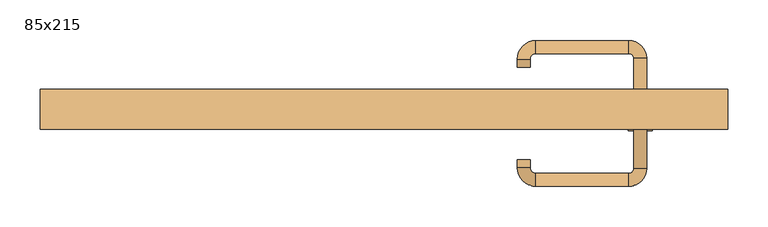
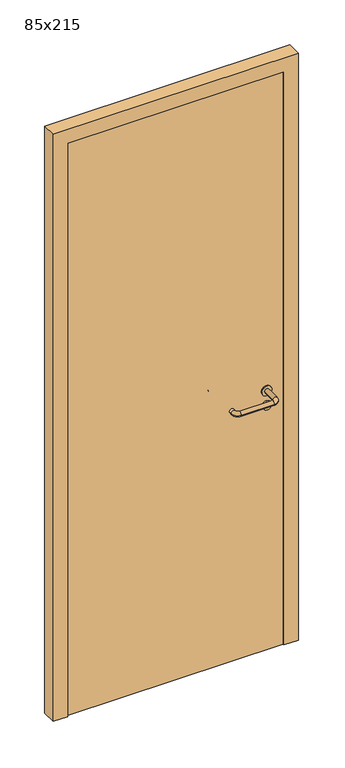
"""IFC4 building model written with IfcOpenShell, lengths in millimetres: door geometry, 85x215."""

from ifc_helpers import new_model, si_unit, point, frame, frame_2d, origin, origin_with_axes, place, context, project, spatial, polyline, circle_curve, ellipse_curve, trimmed, segment, composite_curve, outline, extrude, source, transform, mapped, element, save
from ifc_brep_helpers import plane_surface, cylinder_surface, revolved_surface, advanced_brep


def door_85x215_0e55ee58(model_context):
    return source(origin(), model_context, "Body", "SolidModel", [
        extrude(outline(composite_curve([segment(trimmed(circle_curve(frame_2d((897.3605726, 317.0)), 15.0), [point((897.3605726, 332.0))], [point((897.3605726, 302.0))], False, "CARTESIAN"), True, "CONTINUOUS"), segment(trimmed(circle_curve(frame_2d((897.3605726, 317.0)), 15.0), [point((897.3605726, 302.0))], [point((897.3605726, 332.0))], False, "CARTESIAN"), True, "CONTINUOUS")], self_intersect=False), holes=[composite_curve([segment(trimmed(circle_curve(frame_2d((892.5833211, 316.9398032)), 2.0), [point((892.5833211, 318.9398032))], [point((892.5833211, 314.9398032))], True, "CARTESIAN"), True, "CONTINUOUS"), segment(polyline([(892.5833211, 314.9398032), (902.5833211, 314.9398032)]), True, "CONTINUOUS"), segment(trimmed(circle_curve(frame_2d((902.5833211, 316.9398032)), 2.0), [point((902.5833211, 314.9398032))], [point((902.5833211, 318.9398032))], True, "CARTESIAN"), True, "CONTINUOUS"), segment(polyline([(902.5833211, 318.9398032), (892.5833211, 318.9398032)]), True, "CONTINUOUS")], self_intersect=False)]), frame((0.0, -15.0, 0.0), z_axis=(0.0, 1.0, 0.0), x_axis=(0.0, 0.0, 1.0)), (0.0, 0.0, 1.0), 6.35),
        extrude(outline(composite_curve([segment(trimmed(circle_curve(frame_2d((950.0, 317.0)), 17.526), [point((950.0, 334.526))], [point((950.0, 299.474))], False, "CARTESIAN"), True, "CONTINUOUS"), segment(trimmed(circle_curve(frame_2d((950.0, 317.0)), 17.526), [point((950.0, 299.474))], [point((950.0, 334.526))], False, "CARTESIAN"), True, "CONTINUOUS")], self_intersect=False)), frame((0.0, -15.0, 0.0), z_axis=(0.0, 1.0, 0.0), x_axis=(0.0, 0.0, 1.0)), (0.0, 0.0, 1.0), 3.175),
        advanced_brep(
        [(325.0, -15.0, 950.0), (309.0, -15.0, 950.0), (325.0, 38.0, 950.0), (309.0, 38.0, 950.0), (302.8578644, 44.1421356, 950.0), (302.8578644, 60.1421356, 950.0), (187.8578644, 60.1421356, 950.0), (187.8578644, 44.1421356, 950.0), (181.008622, 37.2928932, 950.0), (165.008622, 37.2928932, 950.0), (165.008622, 27.2928932, 950.0), (181.008622, 27.2928932, 950.0)],
        [
            (0, 1, circle_curve(frame((317.0, -15.0, 950.0), z_axis=(0.0, -1.0, 0.0), x_axis=(-1.0, 0.0, 0.0)), 8.0)),
            (1, 0, circle_curve(frame((317.0, -15.0, 950.0), z_axis=(0.0, -1.0, 0.0), x_axis=(-1.0, 0.0, 0.0)), 8.0)),
            (0, 2),
            (2, 3, circle_curve(frame((317.0, 38.0, 950.0), z_axis=(0.0, -1.0, 0.0), x_axis=(-1.0, 0.0, 0.0)), 8.0)),
            (3, 1),
            (3, 2, circle_curve(frame((317.0, 38.0, 950.0), z_axis=(0.0, -1.0, 0.0), x_axis=(-1.0, 0.0, 0.0)), 8.0)),
            (4, 3, circle_curve(frame((302.8578644, 38.0, 950.0), z_axis=(0.0, 0.0, -1.0), x_axis=(1.0, 0.0, 0.0)), 6.1421356)),
            (2, 5, circle_curve(frame((302.8578644, 38.0, 950.0), z_axis=(0.0, 0.0, 1.0), x_axis=(1.0, 0.0, 0.0)), 22.1421356)),
            (5, 4, circle_curve(frame((302.8578644, 52.1421356, 950.0), z_axis=(1.0, 0.0, 0.0), x_axis=(0.0, -1.0, 0.0)), 8.0)),
            (4, 5, circle_curve(frame((302.8578644, 52.1421356, 950.0), z_axis=(1.0, 0.0, 0.0), x_axis=(0.0, -1.0, 0.0)), 8.0)),
            (5, 6),
            (6, 7, circle_curve(frame((187.8578644, 52.1421356, 950.0), z_axis=(1.0, 0.0, 0.0), x_axis=(0.0, -1.0, 0.0)), 8.0)),
            (7, 4),
            (7, 6, circle_curve(frame((187.8578644, 52.1421356, 950.0), z_axis=(1.0, 0.0, 0.0), x_axis=(0.0, -1.0, 0.0)), 8.0)),
            (8, 7, circle_curve(frame((187.8578644, 37.2928932, 950.0), z_axis=(0.0, 0.0, -1.0), x_axis=(0.0, 1.0, 0.0)), 6.8492424)),
            (6, 9, circle_curve(frame((187.8578644, 37.2928932, 950.0), z_axis=(0.0, 0.0, 1.0), x_axis=(0.0, 1.0, 0.0)), 22.8492424)),
            (9, 8, circle_curve(frame((173.008622, 37.2928932, 950.0), z_axis=(0.0, 1.0, 0.0), x_axis=(1.0, 0.0, 0.0)), 8.0)),
            (8, 9, circle_curve(frame((173.008622, 37.2928932, 950.0), z_axis=(0.0, 1.0, 0.0), x_axis=(1.0, 0.0, 0.0)), 8.0)),
            (10, 11, circle_curve(frame((173.008622, 27.2928932, 950.0), z_axis=(0.0, -1.0, 0.0), x_axis=(1.0, 0.0, 0.0)), 8.0)),
            (11, 10, circle_curve(frame((173.008622, 27.2928932, 950.0), z_axis=(0.0, -1.0, 0.0), x_axis=(1.0, 0.0, 0.0)), 8.0)),
            (9, 10),
            (11, 8),
        ],
        [
            plane_surface(frame((317.0, -15.0, 170.0), z_axis=(0.0, -1.0, 0.0), x_axis=(0.0, 0.0, 1.0))),
            cylinder_surface(frame((317.0, -15.0, 950.0), z_axis=(0.0, -1.0, 0.0), x_axis=(-1.0, 0.0, 0.0)), 8.0),
            revolved_surface(trimmed(ellipse_curve(frame((317.0, 38.0, 950.0), z_axis=(0.0, -1.0, 0.0), x_axis=(-1.0, 0.0, 0.0)), 8.0, 8.0), [point((325.0, 38.0, 950.0))], [point((309.0, 38.0, 950.0))], True, "CARTESIAN"), (302.8578644, 38.0, 170.0), (0.0, 0.0, 1.0)),
            revolved_surface(trimmed(ellipse_curve(frame((317.0, 38.0, 950.0), z_axis=(0.0, -1.0, 0.0), x_axis=(-1.0, 0.0, 0.0)), 8.0, 8.0), [point((309.0, 38.0, 950.0))], [point((325.0, 38.0, 950.0))], True, "CARTESIAN"), (302.8578644, 38.0, 170.0), (0.0, 0.0, 1.0)),
            cylinder_surface(frame((302.8578644, 52.1421356, 950.0), z_axis=(1.0, 0.0, 0.0), x_axis=(0.0, -1.0, 0.0)), 8.0),
            revolved_surface(trimmed(ellipse_curve(frame((187.8578644, 52.1421356, 950.0), z_axis=(1.0, 0.0, 0.0), x_axis=(0.0, -1.0, 0.0)), 8.0, 8.0), [point((187.8578644, 60.1421356, 950.0))], [point((187.8578644, 44.1421356, 950.0))], True, "CARTESIAN"), (187.8578644, 37.2928932, 170.0), (0.0, 0.0, 1.0)),
            revolved_surface(trimmed(ellipse_curve(frame((187.8578644, 52.1421356, 950.0), z_axis=(1.0, 0.0, 0.0), x_axis=(0.0, -1.0, 0.0)), 8.0, 8.0), [point((187.8578644, 44.1421356, 950.0))], [point((187.8578644, 60.1421356, 950.0))], True, "CARTESIAN"), (187.8578644, 37.2928932, 170.0), (0.0, 0.0, 1.0)),
            plane_surface(frame((173.008622, 27.2928932, 170.0), z_axis=(0.0, -1.0, 0.0), x_axis=(0.0, 0.0, 1.0))),
            cylinder_surface(frame((173.008622, 37.2928932, 950.0), z_axis=(0.0, 1.0, 0.0), x_axis=(1.0, 0.0, 0.0)), 8.0),
        ],
        [
            (0, [[1, 2]]),
            (1, [[-1, 3, 4, 5]]),
            (1, [[-2, -5, 6, -3]]),
            (2, [[7, -4, 8, 9]]),
            (3, [[-8, -6, -7, 10]]),
            (4, [[-9, 11, 12, 13]]),
            (4, [[-10, -13, 14, -11]]),
            (5, [[15, -12, 16, 17]]),
            (6, [[-16, -14, -15, 18]]),
            (7, [[19, 20]]),
            (8, [[-17, 21, -20, 22]]),
            (8, [[-18, -22, -19, -21]]),
        ],
    ),
        extrude(outline(composite_curve([segment(trimmed(circle_curve(frame_2d((0.0, 15.0)), 15.0), [point((0.0, 30.0))], [point((0.0, 0.0))], False, "CARTESIAN"), True, "CONTINUOUS"), segment(trimmed(circle_curve(frame_2d((0.0, 15.0)), 15.0), [point((0.0, 0.0))], [point((0.0, 30.0))], False, "CARTESIAN"), True, "CONTINUOUS")], self_intersect=False), holes=[composite_curve([segment(trimmed(circle_curve(frame_2d((-4.7772515, 14.9398032)), 2.0), [point((-4.7772515, 16.9398032))], [point((-4.7772515, 12.9398032))], True, "CARTESIAN"), True, "CONTINUOUS"), segment(polyline([(-4.7772515, 12.9398032), (5.2227485, 12.9398032)]), True, "CONTINUOUS"), segment(trimmed(circle_curve(frame_2d((5.2227485, 14.9398032)), 2.0), [point((5.2227485, 12.9398032))], [point((5.2227485, 16.9398032))], True, "CARTESIAN"), True, "CONTINUOUS"), segment(polyline([(5.2227485, 16.9398032), (-4.7772515, 16.9398032)]), True, "CONTINUOUS")], self_intersect=False)]), frame((302.0, -51.35, 897.3605726), z_axis=(-1.8870575173328306e-12, 1.0, 0.0), x_axis=(0.0, 0.0, 1.0)), (0.0, 0.0, 1.0), 6.35),
        extrude(outline(composite_curve([segment(trimmed(circle_curve(frame_2d((0.0, 17.526)), 17.526), [point((0.0, 35.052))], [point((0.0, 0.0))], False, "CARTESIAN"), True, "CONTINUOUS"), segment(trimmed(circle_curve(frame_2d((0.0, 17.526)), 17.526), [point((0.0, 0.0))], [point((0.0, 35.052))], False, "CARTESIAN"), True, "CONTINUOUS")], self_intersect=False)), frame((299.474, -48.175, 950.0), z_axis=(-1.8870575173328306e-12, 1.0, 0.0), x_axis=(0.0, 0.0, 1.0)), (0.0, 0.0, 1.0), 3.175),
        advanced_brep(
        [(325.0, -45.0, 950.0), (309.0, -45.0, 950.0), (309.0, -98.0, 950.0), (325.0, -98.0, 950.0), (302.8578644, -104.1421356, 950.0), (302.8578644, -120.1421356, 950.0), (187.8578644, -104.1421356, 950.0), (187.8578644, -120.1421356, 950.0), (181.008622, -97.2928932, 950.0), (165.008622, -97.2928932, 950.0), (165.008622, -87.2928932, 950.0), (181.008622, -87.2928932, 950.0)],
        [
            (0, 1, circle_curve(frame((317.0, -45.0, 950.0), z_axis=(-1.888672253512351e-12, 1.0, 0.0), x_axis=(-1.0, -1.888672253512351e-12, 0.0)), 8.0)),
            (1, 0, circle_curve(frame((317.0, -45.0, 950.0), z_axis=(-1.888672253512351e-12, 1.0, 0.0), x_axis=(-1.0, -1.888672253512351e-12, 0.0)), 8.0)),
            (1, 2),
            (2, 3, circle_curve(frame((317.0, -98.0, 950.0), z_axis=(-1.888672253512351e-12, 1.0, 0.0), x_axis=(-1.0, -1.888672253512351e-12, 0.0)), 8.0)),
            (3, 0),
            (3, 2, circle_curve(frame((317.0, -98.0, 950.0), z_axis=(-1.888672253512351e-12, 1.0, 0.0), x_axis=(-1.0, -1.888672253512351e-12, 0.0)), 8.0)),
            (4, 5, circle_curve(frame((302.8578644, -112.1421356, 950.0), z_axis=(1.0, 1.913702061528922e-12, 0.0), x_axis=(-1.913702061528922e-12, 1.0, 0.0)), 8.0)),
            (5, 3, circle_curve(frame((302.8578644, -98.0, 950.0), z_axis=(0.0, 0.0, 1.0), x_axis=(1.0, 1.880717803715015e-12, 0.0)), 22.1421356)),
            (2, 4, circle_curve(frame((302.8578644, -98.0, 950.0), z_axis=(0.0, 0.0, -1.0), x_axis=(1.0, 1.880717803715015e-12, 0.0)), 6.1421356)),
            (5, 4, circle_curve(frame((302.8578644, -112.1421356, 950.0), z_axis=(1.0, 1.913702061528922e-12, 0.0), x_axis=(-1.913702061528922e-12, 1.0, 0.0)), 8.0)),
            (4, 6),
            (6, 7, circle_curve(frame((187.8578644, -112.1421356, 950.0), z_axis=(1.0, 1.913719828541269e-12, 0.0), x_axis=(-1.913719828541269e-12, 1.0, 0.0)), 8.0)),
            (7, 5),
            (7, 6, circle_curve(frame((187.8578644, -112.1421356, 950.0), z_axis=(1.0, 1.913719828541269e-12, 0.0), x_axis=(-1.913719828541269e-12, 1.0, 0.0)), 8.0)),
            (8, 9, circle_curve(frame((173.008622, -97.2928932, 950.0), z_axis=(1.890226565746826e-12, -1.0, 0.0), x_axis=(1.0, 1.890226565746826e-12, 0.0)), 8.0)),
            (9, 7, circle_curve(frame((187.8578644, -97.2928932, 950.0), z_axis=(0.0, 0.0, 1.0), x_axis=(1.9120873253494017e-12, -1.0, 0.0)), 22.8492424)),
            (6, 8, circle_curve(frame((187.8578644, -97.2928932, 950.0), z_axis=(0.0, 0.0, -1.0), x_axis=(1.9120873253494017e-12, -1.0, 0.0)), 6.8492424)),
            (9, 8, circle_curve(frame((173.008622, -97.2928932, 950.0), z_axis=(1.890670654956676e-12, -1.0, 0.0), x_axis=(1.0, 1.890670654956676e-12, 0.0)), 8.0)),
            (10, 11, circle_curve(frame((173.008622, -87.2928932, 950.0), z_axis=(-1.8903642334018795e-12, 1.0, 0.0), x_axis=(1.0, 1.8903642334018795e-12, 0.0)), 8.0)),
            (11, 10, circle_curve(frame((173.008622, -87.2928932, 950.0), z_axis=(-1.8903642334018795e-12, 1.0, 0.0), x_axis=(1.0, 1.8903642334018795e-12, 0.0)), 8.0)),
            (8, 11),
            (10, 9),
        ],
        [
            plane_surface(frame((317.0, -45.0, 170.0), z_axis=(-1.8870575173328306e-12, 1.0, 0.0), x_axis=(0.0, 0.0, 1.0))),
            cylinder_surface(frame((317.0, -45.0, 950.0), z_axis=(-1.888672253512351e-12, 1.0, 0.0), x_axis=(-1.0, -1.888672253512351e-12, 0.0)), 8.0),
            revolved_surface(trimmed(ellipse_curve(frame((317.0, -98.0, 950.0), z_axis=(1.8823325398945356e-12, -1.0, 0.0), x_axis=(-1.0, -1.8823325398945356e-12, 0.0)), 8.0, 8.0), [point((325.0, -98.0, 950.0))], [point((309.0, -98.0, 950.0))], True, "CARTESIAN"), (302.8578644, -98.0, 170.0), (0.0, 0.0, 1.0)),
            revolved_surface(trimmed(ellipse_curve(frame((317.0, -98.0, 950.0), z_axis=(1.8823325398945356e-12, -1.0, 0.0), x_axis=(-1.0, -1.8823325398945356e-12, 0.0)), 8.0, 8.0), [point((309.0, -98.0, 950.0))], [point((325.0, -98.0, 950.0))], True, "CARTESIAN"), (302.8578644, -98.0, 170.0), (0.0, 0.0, 1.0)),
            cylinder_surface(frame((302.8578644, -112.1421356, 950.0), z_axis=(1.0, 1.913719828541269e-12, 0.0), x_axis=(-1.913719828541269e-12, 1.0, 0.0)), 8.0),
            revolved_surface(trimmed(ellipse_curve(frame((187.8578644, -112.1421356, 950.0), z_axis=(-1.0, -1.913702061528922e-12, 0.0), x_axis=(-1.913702061528922e-12, 1.0, 0.0)), 8.0, 8.0), [point((187.8578644, -120.1421356, 950.0))], [point((187.8578644, -104.1421356, 950.0))], True, "CARTESIAN"), (187.8578644, -97.2928932, 170.0), (0.0, 0.0, 1.0)),
            revolved_surface(trimmed(ellipse_curve(frame((187.8578644, -112.1421356, 950.0), z_axis=(-1.0, -1.913702061528922e-12, 0.0), x_axis=(-1.913702061528922e-12, 1.0, 0.0)), 8.0, 8.0), [point((187.8578644, -104.1421356, 950.0))], [point((187.8578644, -120.1421356, 950.0))], True, "CARTESIAN"), (187.8578644, -97.2928932, 170.0), (0.0, 0.0, 1.0)),
            plane_surface(frame((173.008622, -87.2928932, 170.0), z_axis=(-1.8887494972223595e-12, 1.0, 0.0), x_axis=(0.0, 0.0, 1.0))),
            cylinder_surface(frame((173.008622, -97.2928932, 950.0), z_axis=(1.8903642334018795e-12, -1.0, 0.0), x_axis=(1.0, 1.8903642334018795e-12, 0.0)), 8.0),
        ],
        [
            (0, [[1, 2]]),
            (1, [[3, 4, 5, -2]]),
            (1, [[-5, 6, -3, -1]]),
            (2, [[7, 8, -4, 9]]),
            (3, [[10, -9, -6, -8]]),
            (4, [[11, 12, 13, -7]]),
            (4, [[-13, 14, -11, -10]]),
            (5, [[15, 16, -12, 17]]),
            (6, [[18, -17, -14, -16]]),
            (7, [[19, 20]]),
            (8, [[21, -19, 22, -15]]),
            (8, [[-22, -20, -21, -18]]),
        ],
    ),
        extrude(outline(polyline([(2100.0, 375.0), (0.0, 375.0), (0.0, 425.0), (2150.0, 425.0), (2150.0, -425.0), (0.0, -425.0), (0.0, -375.0), (2100.0, -375.0), (2100.0, 375.0)])), frame((0.0, -50.0, 0.0), z_axis=(0.0, 1.0, 0.0), x_axis=(0.0, 0.0, 1.0)), (0.0, 0.0, 1.0), 50.0),
        extrude(outline(polyline([(-375.0, -45.0), (-375.0, -15.0), (375.0, -15.0), (375.0, -45.0), (-375.0, -45.0)])), origin_with_axes(), (0.0, 0.0, 1.0), 2100.0),
    ])


if __name__ == "__main__":
    model = new_model("IFC4")
    model_context = context("Model", 3, world=origin())
    ifc_project = project(units=[si_unit("LENGTHUNIT", "METRE", prefix="MILLI")], contexts=[model_context])
    site = spatial("IfcSite", under=ifc_project)
    building = spatial("IfcBuilding", under=site)
    placement = place(None, origin())
    door_85x215_shape = door_85x215_0e55ee58(model_context)
    element("IfcDoor", 1, ObjectType="85x215", at=placement, inside=building, context=model_context, shape_type="MappedRepresentation", body=[
        mapped(door_85x215_shape, transform((0.0, 0.0, 0.0), x_axis=(1.0, 0.0, 0.0), y_axis=(0.0, 1.0, 0.0), z_axis=(0.0, 0.0, 1.0))),
    ])
    save(model, "model.ifc")
